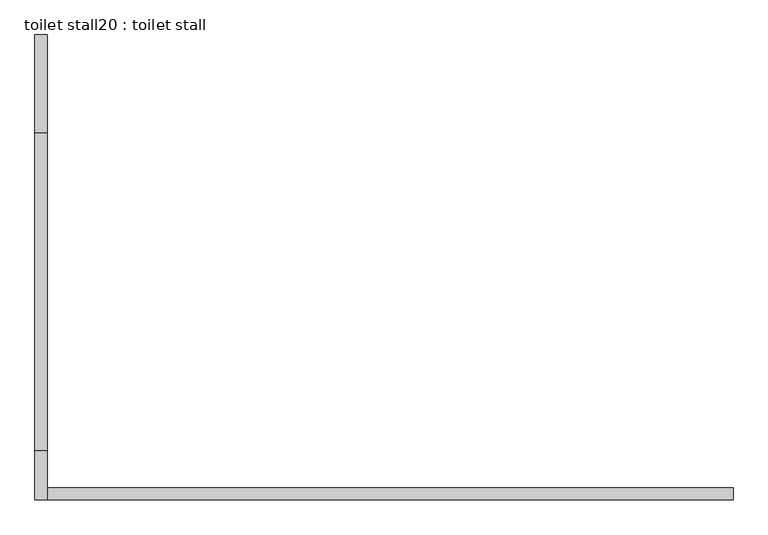
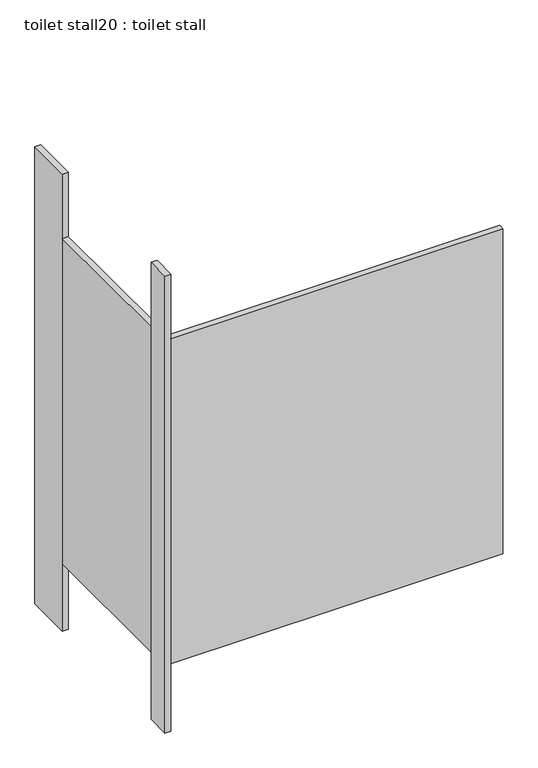
"""IFC4 building model written with IfcOpenShell, lengths in millimetres: proxy geometry, toilet stall20 : toilet stall."""

from ifc_helpers import new_model, si_unit, frame, origin, origin_with_axes, place, context, project, spatial, polyline, outline, extrude, source, transform, mapped, element, save


def toilet_stall20_toilet_stall_cb7abb84(model_context):
    return source(origin(), model_context, "Body", "SweptSolid", [
        extrude(outline(polyline([(454658.2004676, -329399.1205223), (454632.8004676, -329399.1205223), (454632.8004676, -329195.9205223), (454658.2004676, -329195.9205223), (454658.2004676, -329399.1205223)])), origin_with_axes(), (0.0, 0.0, 1.0), 2070.1),
        extrude(outline(polyline([(454658.2004676, -330161.1205223), (454632.8004676, -330161.1205223), (454632.8004676, -330059.5205223), (454658.2004676, -330059.5205223), (454658.2004676, -330161.1205223)])), origin_with_axes(), (0.0, 0.0, 1.0), 2070.1),
        extrude(outline(polyline([(454658.2004676, -330161.1205223), (454658.2004676, -330135.7205223), (456080.6004676, -330135.7205223), (456080.6004676, -330161.1205223), (454658.2004676, -330161.1205223)])), frame((0.0, 0.0, 304.8), z_axis=(0.0, 0.0, 1.0), x_axis=(1.0, 0.0, 0.0)), (0.0, 0.0, 1.0), 1473.2),
        extrude(outline(polyline([(454658.2004676, -330059.5205223), (454632.8004676, -330059.5205223), (454632.8004676, -329399.1205223), (454658.2004676, -329399.1205223), (454658.2004676, -330059.5205223)])), frame((0.0, 0.0, 304.8), z_axis=(0.0, 0.0, 1.0), x_axis=(1.0, 0.0, 0.0)), (0.0, 0.0, 1.0), 1473.2),
    ])


if __name__ == "__main__":
    model = new_model("IFC4")
    model_context = context("Model", 3, world=origin())
    ifc_project = project(units=[si_unit("LENGTHUNIT", "METRE", prefix="MILLI")], contexts=[model_context])
    site = spatial("IfcSite", under=ifc_project)
    building = spatial("IfcBuilding", under=site)
    placement = place(None, origin())
    toilet_stall20_toilet_stall_shape = toilet_stall20_toilet_stall_cb7abb84(model_context)
    element("IfcBuildingElementProxy", 1, Name="toilet stall20 : toilet stall", ObjectType="toilet stall20 : toilet stall", at=placement, inside=building, context=model_context, shape_type="MappedRepresentation", body=[
        mapped(toilet_stall20_toilet_stall_shape, transform((0.0, 0.0, 0.0), x_axis=(1.0, 0.0, 0.0), y_axis=(0.0, 1.0, 0.0), z_axis=(0.0, 0.0, 1.0))),
    ])
    save(model, "model.ifc")
